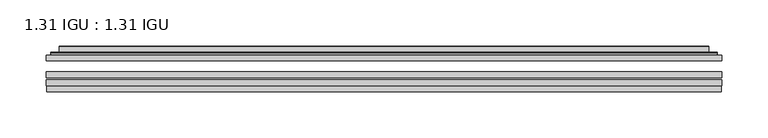
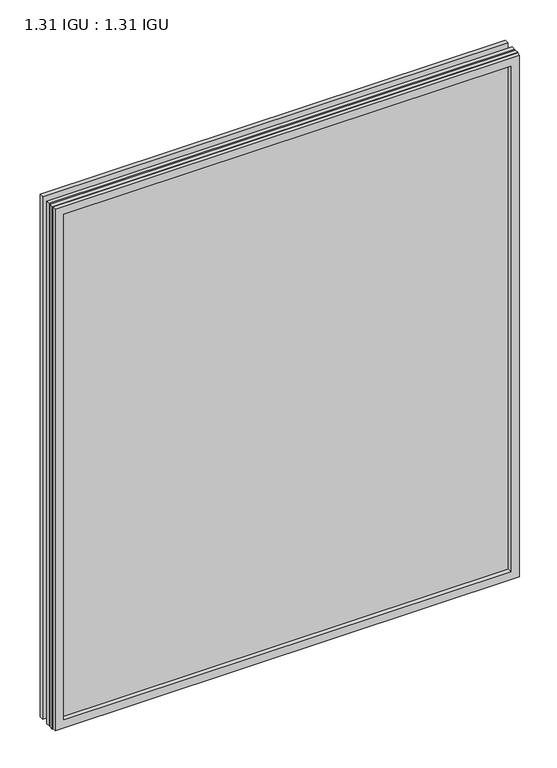
"""IFC4 building model written with IfcOpenShell, lengths in millimetres: plate geometry, 1.31 IGU : 1.31 IGU."""

from ifc_helpers import new_model, si_unit, frame, origin, place, context, project, spatial, polyline, ellipse_curve, outline, extrude, faceted_brep, source, transform, mapped, element, save
from ifc_brep_helpers import plane_surface, cylinder_surface, advanced_brep


def plate_1_31_igu_1_31_igu_94ddee70(model_context):
    return source(origin(), model_context, "Body", "SolidModel", [
        extrude(outline(polyline([(366.7108, -63.59525), (366.7108, -69.94525), (-366.696625, -69.94525), (-366.696625, -63.59525), (366.7108, -63.59525)])), frame((0.0, 0.0, -14.2875), z_axis=(0.0, 0.0, 1.0), x_axis=(1.0, 0.0, 0.0)), (0.0, 0.0, 1.0), 869.9537979),
        extrude(outline(polyline([(-366.696625, -78.58125), (-366.696625, -72.230745), (366.7108, -72.230745), (366.7108, -78.58125), (-366.696625, -78.58125)])), frame((0.0, 0.0, -14.2875), z_axis=(0.0, 0.0, 1.0), x_axis=(1.0, 0.0, 0.0)), (0.0, 0.0, 1.0), 869.9537979),
        extrude(outline(polyline([(366.7108, -45.25645), (366.7108, -51.60645), (-366.696625, -51.60645), (-366.696625, -45.25645), (366.7108, -45.25645)])), frame((0.0, 0.0, -14.2875), z_axis=(0.0, 0.0, 1.0), x_axis=(1.0, 0.0, 0.0)), (0.0, 0.0, 1.0), 869.9537979),
        faceted_brep([(-365.9964392, -84.93125, 854.9623142), (-365.9964392, -78.58125, 854.9623142), (-365.9964392, -78.58125, -13.5873142), (-365.9964392, -84.93125, -13.5873142), (365.9964392, -78.58125, -13.5873142), (365.9964392, -84.93125, -13.5873142), (365.9964392, -78.58125, 854.9623142), (365.9964392, -84.93125, 854.9623142), (-351.5113809, -78.58125, 0.8977441), (351.5113809, -78.58125, 0.8977441), (351.5113809, -78.58125, 840.4772559), (-351.5113809, -78.58125, 840.4772559), (-352.4038152, -84.93125, 841.3696902), (352.4038152, -84.93125, 841.3696902), (352.4038152, -84.93125, 0.0053098), (-352.4038152, -84.93125, 0.0053098)], [[[0, 1, 2, 3]], [[3, 2, 4, 5]], [[5, 4, 6, 7]], [[1, 6, 4, 2], [8, 9, 10, 11]], [[7, 6, 1, 0]], [[3, 5, 7, 0], [12, 13, 14, 15]], [[11, 12, 15, 8]], [[8, 15, 14, 9]], [[9, 14, 13, 10]], [[10, 13, 12, 11]]]),
        advanced_brep(
        [(-359.455344, -45.25645, 848.4212191), (-361.8095494, -43.2667833, 850.7754244), (-361.8095494, -43.2667833, -9.4004244), (-359.455344, -45.25645, -7.046219), (-350.3810189, -41.416413, 839.3468939), (-345.4461871, -45.25645, 834.4120621), (-345.4461871, -45.25645, 6.9629379), (-350.3810189, -41.416413, 2.0281061), (-351.4130467, -36.0191819, 840.3789217), (-351.4130467, -36.0191819, 0.9960783), (-352.4037034, -35.6202069, 841.3695784), (-352.4037034, -35.6202069, 0.0054216), (-352.4037034, -42.08145, 841.3695784), (-352.4037034, -42.08145, 0.0054216), (-360.8077599, -42.08145, 849.7736349), (-360.8077599, -42.08145, -8.3986349), (361.8095494, -43.2667833, -9.4004244), (359.455344, -45.25645, -7.046219), (345.4461871, -45.25645, 6.9629379), (350.3810189, -41.416413, 2.0281061), (351.4130467, -36.0191819, 0.9960783), (352.4037034, -35.6202069, 0.0054216), (352.4037034, -42.08145, 0.0054216), (360.8077599, -42.08145, -8.3986349), (361.8095494, -43.2667833, 850.7754244), (359.455344, -45.25645, 848.4212191), (345.4461871, -45.25645, 834.4120621), (350.3810189, -41.416413, 839.3468939), (351.4130467, -36.0191819, 840.3789217), (352.4037034, -35.6202069, 841.3695784), (352.4037034, -42.08145, 841.3695784), (360.8077599, -42.08145, 849.7736349)],
        [
            (0, 1, ellipse_curve(frame((-359.455344, -42.86885, 848.4212191), z_axis=(-0.7071067811865475, 0.0, -0.7071067811865475), x_axis=(-0.7071067811865474, 0.0, 0.7071067811865476)), 3.3765763, 2.3876)),
            (1, 2),
            (2, 3, ellipse_curve(frame((-359.455344, -42.86885, -7.046219), z_axis=(-0.7071067811865475, 0.0, 0.7071067811865475), x_axis=(0.7071067811865474, 0.0, 0.7071067811865476)), 3.3765763, 2.3876)),
            (3, 0),
            (4, 5),
            (5, 6),
            (6, 7),
            (7, 4),
            (8, 4),
            (7, 9),
            (9, 8),
            (10, 8, ellipse_curve(frame((-352.0367469, -36.1384423, 841.0026219), z_axis=(-0.7071067811865475, 0.0, -0.7071067811865475), x_axis=(-0.7071067811865474, 0.0, 0.7071067811865476)), 0.8980256, 0.635)),
            (9, 11, ellipse_curve(frame((-352.0367469, -36.1384423, 0.3723781), z_axis=(-0.7071067811865475, 0.0, 0.7071067811865475), x_axis=(0.7071067811865474, 0.0, 0.7071067811865476)), 0.8980256, 0.635)),
            (11, 10),
            (12, 10),
            (11, 13),
            (13, 12),
            (1, 14, ellipse_curve(frame((-360.8077599, -43.09745, 849.7736349), z_axis=(-0.7071067811865475, 0.0, -0.7071067811865475), x_axis=(-0.7071067811865474, 0.0, 0.7071067811865476)), 1.436841, 1.016)),
            (14, 15),
            (15, 2, ellipse_curve(frame((-360.8077599, -43.09745, -8.3986349), z_axis=(-0.7071067811865475, 0.0, 0.7071067811865475), x_axis=(0.7071067811865474, 0.0, 0.7071067811865476)), 1.436841, 1.016)),
            (2, 16),
            (16, 17, ellipse_curve(frame((359.455344, -42.86885, -7.046219), z_axis=(-0.7071067811865475, 0.0, -0.7071067811865475), x_axis=(-0.7071067811865476, 0.0, 0.7071067811865474)), 3.3765763, 2.3876)),
            (17, 3),
            (6, 18),
            (18, 19),
            (19, 7),
            (19, 20),
            (20, 9),
            (20, 21, ellipse_curve(frame((352.0367469, -36.1384423, 0.3723781), z_axis=(-0.7071067811865475, 0.0, -0.7071067811865475), x_axis=(-0.7071067811865476, 0.0, 0.7071067811865474)), 0.8980256, 0.635)),
            (21, 11),
            (21, 22),
            (22, 13),
            (15, 23),
            (23, 16, ellipse_curve(frame((360.8077599, -43.09745, -8.3986349), z_axis=(-0.7071067811865475, 0.0, -0.7071067811865475), x_axis=(-0.7071067811865476, 0.0, 0.7071067811865474)), 1.436841, 1.016)),
            (16, 24),
            (24, 25, ellipse_curve(frame((359.455344, -42.86885, 848.4212191), z_axis=(0.7071067811865475, 0.0, -0.7071067811865475), x_axis=(-0.7071067811865474, 0.0, -0.7071067811865476)), 3.3765763, 2.3876)),
            (25, 17),
            (18, 26),
            (26, 27),
            (27, 19),
            (27, 28),
            (28, 20),
            (28, 29, ellipse_curve(frame((352.0367469, -36.1384423, 841.0026219), z_axis=(0.7071067811865475, 0.0, -0.7071067811865475), x_axis=(-0.7071067811865474, 0.0, -0.7071067811865476)), 0.8980256, 0.635)),
            (29, 21),
            (29, 30),
            (30, 22),
            (23, 31),
            (31, 24, ellipse_curve(frame((360.8077599, -43.09745, 849.7736349), z_axis=(0.7071067811865475, 0.0, -0.7071067811865475), x_axis=(-0.7071067811865474, 0.0, -0.7071067811865476)), 1.436841, 1.016)),
            (24, 1),
            (0, 25),
            (5, 26),
            (4, 27),
            (8, 28),
            (10, 29),
            (12, 30),
            (14, 31),
        ],
        [
            cylinder_surface(frame((-359.455344, -42.86885, 873.125), z_axis=(0.0, 0.0, 1.0), x_axis=(-1.0, 0.0, 0.0)), 2.3876),
            plane_surface(frame((-345.4461871, -45.25645, 834.4120621), z_axis=(0.6141233906514794, 0.7892100234124821, 0.0), x_axis=(0.0, 0.0, -1.0))),
            plane_surface(frame((-350.3810189, -41.416413, 839.3468939), z_axis=(0.9822050625507729, 0.18781164793386076, 0.0), x_axis=(0.0, 0.0, -1.0))),
            cylinder_surface(frame((-352.0367469, -36.1384423, 873.125), z_axis=(0.0, 0.0, 1.0), x_axis=(-1.0, 0.0, 0.0)), 0.635),
            plane_surface(frame((-352.4037034, -35.6202069, 841.3695784), z_axis=(-1.0, 0.0, 0.0), x_axis=(0.0, 0.0, -1.0))),
            cylinder_surface(frame((-360.8077599, -43.09745, 873.125), z_axis=(0.0, 0.0, 1.0), x_axis=(-1.0, 0.0, 0.0)), 1.016),
            cylinder_surface(frame((-384.159125, -42.86885, -7.046219), z_axis=(-1.0, 0.0, 0.0), x_axis=(0.0, 0.0, -1.0)), 2.3876),
            plane_surface(frame((-345.4461871, -45.25645, 6.9629379), z_axis=(0.0, 0.7892100234124841, 0.6141233906514768), x_axis=(1.0, 0.0, 0.0))),
            plane_surface(frame((-350.3810189, -41.416413, 2.0281061), z_axis=(0.0, 0.18781164793386393, 0.9822050625507723), x_axis=(1.0, 0.0, 0.0))),
            cylinder_surface(frame((-384.159125, -36.1384423, 0.3723781), z_axis=(-1.0, 0.0, 0.0), x_axis=(0.0, 0.0, -1.0)), 0.635),
            plane_surface(frame((-352.4037034, -35.6202069, 0.0054216), z_axis=(0.0, 0.0, -1.0), x_axis=(1.0, 0.0, 0.0))),
            cylinder_surface(frame((-384.159125, -43.09745, -8.3986349), z_axis=(-1.0, 0.0, 0.0), x_axis=(0.0, 0.0, -1.0)), 1.016),
            cylinder_surface(frame((359.455344, -42.86885, -31.75), z_axis=(0.0, 0.0, -1.0), x_axis=(1.0, 0.0, 0.0)), 2.3876),
            plane_surface(frame((345.4461871, -45.25645, 6.9629379), z_axis=(-0.6141233906514743, 0.7892100234124861, 0.0), x_axis=(0.0, 0.0, 1.0))),
            plane_surface(frame((350.3810189, -41.416413, 2.0281061), z_axis=(-0.9822050625507718, 0.1878116479338671, 0.0), x_axis=(0.0, 0.0, 1.0))),
            cylinder_surface(frame((352.0367469, -36.1384423, -31.75), z_axis=(0.0, 0.0, -1.0), x_axis=(1.0, 0.0, 0.0)), 0.635),
            plane_surface(frame((352.4037034, -35.6202069, 0.0054216), z_axis=(1.0, 0.0, 0.0), x_axis=(0.0, 0.0, 1.0))),
            cylinder_surface(frame((360.8077599, -43.09745, -31.75), z_axis=(0.0, 0.0, -1.0), x_axis=(1.0, 0.0, 0.0)), 1.016),
            cylinder_surface(frame((384.159125, -42.86885, 848.4212191), z_axis=(1.0, 0.0, 0.0), x_axis=(0.0, 0.0, 1.0)), 2.3876),
            plane_surface(frame((359.455344, -45.25645, 848.4212191), z_axis=(0.0, -1.0, 0.0), x_axis=(-1.0, 0.0, 0.0))),
            plane_surface(frame((345.4461871, -45.25645, 834.4120621), z_axis=(0.0, 0.7892100234124841, -0.6141233906514768), x_axis=(-1.0, 0.0, 0.0))),
            plane_surface(frame((350.3810189, -41.416413, 839.3468939), z_axis=(0.0, 0.18781164793386393, -0.9822050625507723), x_axis=(-1.0, 0.0, 0.0))),
            cylinder_surface(frame((384.159125, -36.1384423, 841.0026219), z_axis=(1.0, 0.0, 0.0), x_axis=(0.0, 0.0, 1.0)), 0.635),
            plane_surface(frame((352.4037034, -35.6202069, 841.3695784), z_axis=(0.0, 0.0, 1.0), x_axis=(-1.0, 0.0, 0.0))),
            plane_surface(frame((352.4037034, -42.08145, 841.3695784), z_axis=(0.0, 1.0, 0.0), x_axis=(-1.0, 0.0, 0.0))),
            cylinder_surface(frame((384.159125, -43.09745, 849.7736349), z_axis=(1.0, 0.0, 0.0), x_axis=(0.0, 0.0, 1.0)), 1.016),
        ],
        [
            (0, [[1, 2, 3, 4]]),
            (1, [[5, 6, 7, 8]]),
            (2, [[9, -8, 10, 11]]),
            (3, [[12, -11, 13, 14]]),
            (4, [[15, -14, 16, 17]]),
            (5, [[18, 19, 20, -2]]),
            (6, [[-3, 21, 22, 23]]),
            (7, [[-7, 24, 25, 26]]),
            (8, [[-10, -26, 27, 28]]),
            (9, [[-13, -28, 29, 30]]),
            (10, [[-16, -30, 31, 32]]),
            (11, [[-20, 33, 34, -21]]),
            (12, [[-22, 35, 36, 37]]),
            (13, [[-25, 38, 39, 40]]),
            (14, [[-27, -40, 41, 42]]),
            (15, [[-29, -42, 43, 44]]),
            (16, [[-31, -44, 45, 46]]),
            (17, [[-34, 47, 48, -35]]),
            (18, [[-36, 49, -1, 50]]),
            (19, [[-23, -37, -50, -4], [51, -38, -24, -6]]),
            (20, [[-39, -51, -5, 52]]),
            (21, [[-41, -52, -9, 53]]),
            (22, [[-43, -53, -12, 54]]),
            (23, [[-45, -54, -15, 55]]),
            (24, [[56, -47, -33, -19], [-32, -46, -55, -17]]),
            (25, [[-48, -56, -18, -49]]),
        ],
    ),
    ])


if __name__ == "__main__":
    model = new_model("IFC4")
    model_context = context("Model", 3, world=origin())
    ifc_project = project(units=[si_unit("LENGTHUNIT", "METRE", prefix="MILLI")], contexts=[model_context])
    site = spatial("IfcSite", under=ifc_project)
    building = spatial("IfcBuilding", under=site)
    placement = place(None, origin())
    plate_1_31_igu_1_31_igu_shape = plate_1_31_igu_1_31_igu_94ddee70(model_context)
    element("IfcPlate", 1, ObjectType="1.31 IGU : 1.31 IGU", at=placement, inside=building, context=model_context, shape_type="MappedRepresentation", body=[
        mapped(plate_1_31_igu_1_31_igu_shape, transform((0.0, 0.0, 0.0), x_axis=(1.0, 0.0, 0.0), y_axis=(0.0, 1.0, 0.0), z_axis=(0.0, 0.0, 1.0))),
    ])
    save(model, "model.ifc")
